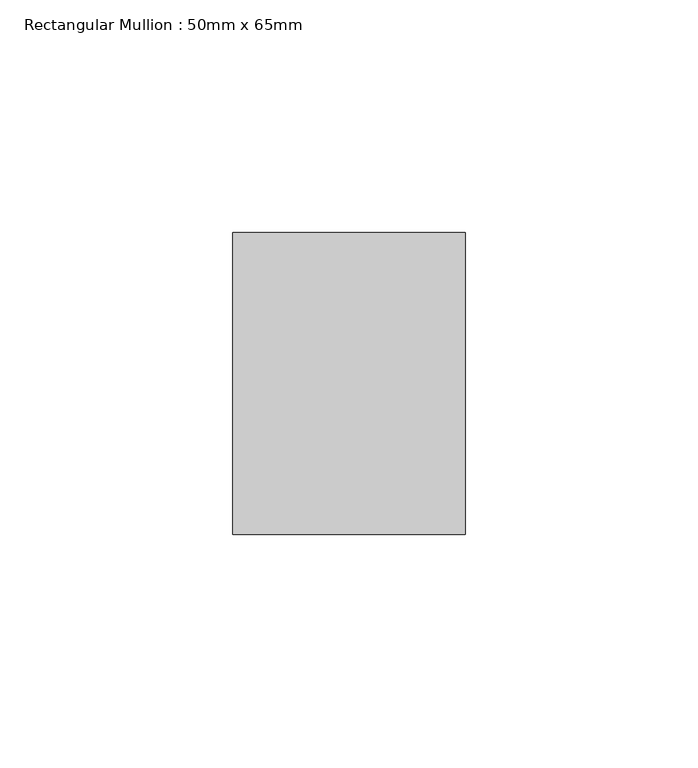
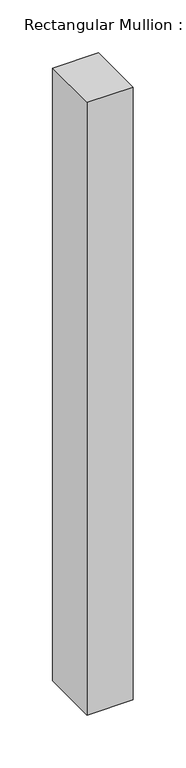
"""IFC4 building model written with IfcOpenShell, lengths in millimetres: member geometry, Rectangular Mullion : 50mm x 65mm."""

from ifc_helpers import new_model, si_unit, frame, origin, place, context, project, spatial, polyline, outline, extrude, source, transform, mapped, element, save


def rectangular_mullion_50mm_x_65mm_995ff6e8(model_context):
    return source(origin(), model_context, "Body", "SweptSolid", [
        extrude(outline(polyline([(25.0, 32.5), (25.0, -32.5), (-25.0, -32.5), (-25.0, 32.5), (25.0, 32.5)])), frame((0.0, 0.0, -705.7730254), z_axis=(0.0, 0.0, 1.0), x_axis=(1.0, 0.0, 0.0)), (0.0, 0.0, 1.0), 705.7730254),
    ])


if __name__ == "__main__":
    model = new_model("IFC4")
    model_context = context("Model", 3, world=origin())
    ifc_project = project(units=[si_unit("LENGTHUNIT", "METRE", prefix="MILLI")], contexts=[model_context])
    site = spatial("IfcSite", under=ifc_project)
    building = spatial("IfcBuilding", under=site)
    placement = place(None, origin())
    rectangular_mullion_50mm_x_65mm_shape = rectangular_mullion_50mm_x_65mm_995ff6e8(model_context)
    element("IfcMember", 1, ObjectType="Rectangular Mullion : 50mm x 65mm", at=placement, inside=building, context=model_context, shape_type="MappedRepresentation", body=[
        mapped(rectangular_mullion_50mm_x_65mm_shape, transform((0.0, 0.0, 0.0), x_axis=(1.0, 0.0, 0.0), y_axis=(0.0, 1.0, 0.0), z_axis=(0.0, 0.0, 1.0))),
    ])
    save(model, "model.ifc")
